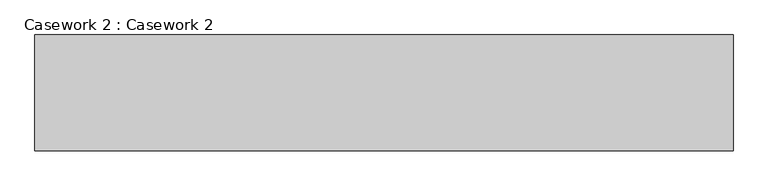
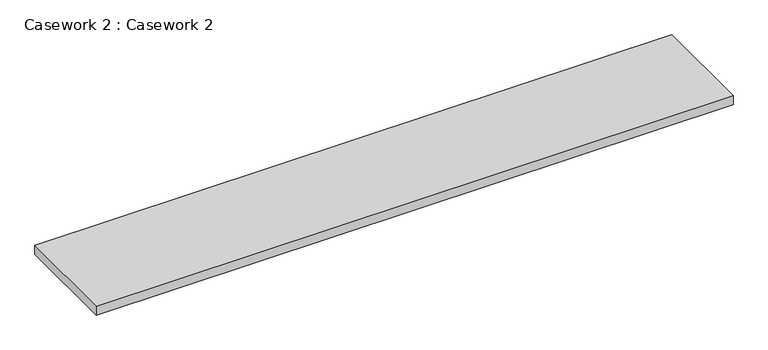
"""IFC4 building model written with IfcOpenShell, lengths in millimetres: furniture geometry, Casework 2 : Casework 2."""

from ifc_helpers import new_model, si_unit, frame, origin, place, context, project, spatial, polyline, outline, extrude, source, transform, mapped, element, save


def casework_2_casework_2_b3eb81ae(model_context):
    return source(origin(), model_context, "Body", "SweptSolid", [
        extrude(outline(polyline([(-142322.2794078, 19840.0861016), (-142322.2794078, 19264.315723), (-145786.2044078, 19264.315723), (-145786.2044078, 19840.0861016), (-142322.2794078, 19840.0861016)])), frame((0.0, 0.0, 995.2155416), z_axis=(0.0, 0.0, 1.0), x_axis=(1.0, 0.0, 0.0)), (0.0, 0.0, 1.0), 51.1844584),
    ])


if __name__ == "__main__":
    model = new_model("IFC4")
    model_context = context("Model", 3, world=origin())
    ifc_project = project(units=[si_unit("LENGTHUNIT", "METRE", prefix="MILLI")], contexts=[model_context])
    site = spatial("IfcSite", under=ifc_project)
    building = spatial("IfcBuilding", under=site)
    placement = place(None, origin())
    casework_2_casework_2_shape = casework_2_casework_2_b3eb81ae(model_context)
    element("IfcFurniture", 1, ObjectType="Casework 2 : Casework 2", at=placement, inside=building, context=model_context, shape_type="MappedRepresentation", body=[
        mapped(casework_2_casework_2_shape, transform((0.0, 0.0, 0.0), x_axis=(1.0, 0.0, 0.0), y_axis=(0.0, 1.0, 0.0), z_axis=(0.0, 0.0, 1.0))),
    ])
    save(model, "model.ifc")
